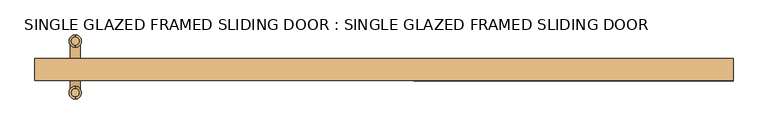
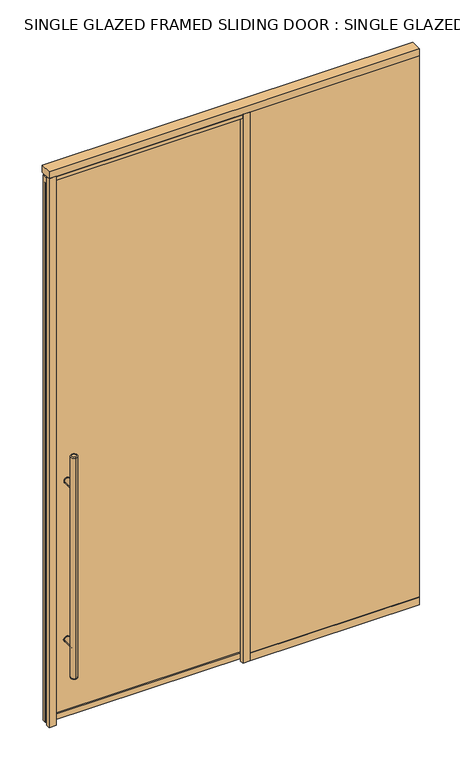
"""IFC4 building model written with IfcOpenShell, lengths in millimetres: door geometry, SINGLE GLAZED FRAMED SLIDING DOOR : SINGLE GLAZED FRAMED SLIDING DOOR."""

from ifc_helpers import new_model, si_unit, point, frame, frame_2d, origin, origin_with_axes, place, context, project, spatial, polyline, circle_curve, ellipse_curve, trimmed, segment, composite_curve, outline, extrude, source, transform, mapped, element, save
from ifc_brep_helpers import plane_surface, cylinder_surface, revolved_surface, advanced_brep


def single_glazed_framed_sliding_door_single_glazed_framed_af0cc8ee(model_context):
    return source(origin(), model_context, "Body", "SolidModel", [
        extrude(outline(composite_curve([segment(trimmed(circle_curve(frame_2d((428.625, -850.9)), 15.875), [point((428.625, -866.775))], [point((428.625, -835.025))], False, "CARTESIAN"), True, "CONTINUOUS"), segment(trimmed(circle_curve(frame_2d((428.625, -850.9)), 15.875), [point((428.625, -835.025))], [point((428.625, -866.775))], False, "CARTESIAN"), True, "CONTINUOUS")], self_intersect=False)), frame((0.0, 19.05, 0.0), z_axis=(0.0, 1.0, 0.0), x_axis=(0.0, 0.0, 1.0)), (0.0, 0.0, 1.0), 3.175),
        extrude(outline(composite_curve([segment(trimmed(circle_curve(frame_2d((1298.575, -850.9)), 15.875), [point((1298.575, -835.025))], [point((1298.575, -866.775))], False, "CARTESIAN"), True, "CONTINUOUS"), segment(trimmed(circle_curve(frame_2d((1298.575, -850.9)), 15.875), [point((1298.575, -866.775))], [point((1298.575, -835.025))], False, "CARTESIAN"), True, "CONTINUOUS")], self_intersect=False)), frame((0.0, 19.05, 0.0), z_axis=(0.0, 1.0, 0.0), x_axis=(0.0, 0.0, 1.0)), (0.0, 0.0, 1.0), 3.175),
        extrude(outline(composite_curve([segment(trimmed(circle_curve(frame_2d((428.625, -850.9)), 15.875), [point((428.625, -866.775))], [point((428.625, -835.025))], False, "CARTESIAN"), True, "CONTINUOUS"), segment(trimmed(circle_curve(frame_2d((428.625, -850.9)), 15.875), [point((428.625, -835.025))], [point((428.625, -866.775))], False, "CARTESIAN"), True, "CONTINUOUS")], self_intersect=False)), frame((0.0, 34.925, 0.0), z_axis=(0.0, 1.0, 0.0), x_axis=(0.0, 0.0, 1.0)), (0.0, 0.0, 1.0), 3.175),
        extrude(outline(composite_curve([segment(trimmed(circle_curve(frame_2d((1298.575, -850.9)), 15.875), [point((1298.575, -866.775))], [point((1298.575, -835.025))], False, "CARTESIAN"), True, "CONTINUOUS"), segment(trimmed(circle_curve(frame_2d((1298.575, -850.9)), 15.875), [point((1298.575, -835.025))], [point((1298.575, -866.775))], False, "CARTESIAN"), True, "CONTINUOUS")], self_intersect=False)), frame((0.0, 34.925, 0.0), z_axis=(0.0, 1.0, 0.0), x_axis=(0.0, 0.0, 1.0)), (0.0, 0.0, 1.0), 3.175),
        extrude(outline(composite_curve([segment(trimmed(circle_curve(frame_2d((428.625, -850.9)), 14.2875), [point((428.625, -836.6125))], [point((428.625, -865.1875))], False, "CARTESIAN"), True, "CONTINUOUS"), segment(trimmed(circle_curve(frame_2d((428.625, -850.9)), 14.2875), [point((428.625, -865.1875))], [point((428.625, -836.6125))], False, "CARTESIAN"), True, "CONTINUOUS")], self_intersect=False)), frame((0.0, 34.925, 0.0), z_axis=(0.0, 1.0, 0.0), x_axis=(0.0, 0.0, 1.0)), (0.0, 0.0, 1.0), 65.0875),
        extrude(outline(composite_curve([segment(trimmed(circle_curve(frame_2d((1298.575, -850.9)), 14.2875), [point((1298.575, -836.6125))], [point((1298.575, -865.1875))], False, "CARTESIAN"), True, "CONTINUOUS"), segment(trimmed(circle_curve(frame_2d((1298.575, -850.9)), 14.2875), [point((1298.575, -865.1875))], [point((1298.575, -836.6125))], False, "CARTESIAN"), True, "CONTINUOUS")], self_intersect=False)), frame((0.0, 34.925, 0.0), z_axis=(0.0, 1.0, 0.0), x_axis=(0.0, 0.0, 1.0)), (0.0, 0.0, 1.0), 65.0875),
        advanced_brep(
        [(-850.9, -32.0675, 1473.2), (-850.9, -53.6575, 1473.2), (-850.9, -53.6575, 254.0), (-850.9, -32.0675, 254.0), (-850.9, -60.0075, 260.35), (-850.9, -25.7175, 260.35), (-850.9, -25.7175, 1466.85), (-850.9, -60.0075, 1466.85)],
        [
            (0, 1, circle_curve(frame((-850.9, -42.8625, 1473.2), z_axis=(0.0, 0.0, 1.0), x_axis=(0.0, 1.0, 0.0)), 10.795)),
            (1, 0, circle_curve(frame((-850.9, -42.8625, 1473.2), z_axis=(0.0, 0.0, 1.0), x_axis=(0.0, 1.0, 0.0)), 10.795)),
            (2, 3, circle_curve(frame((-850.9, -42.8625, 254.0), z_axis=(0.0, 0.0, -1.0), x_axis=(0.0, 1.0, 0.0)), 10.795)),
            (3, 2, circle_curve(frame((-850.9, -42.8625, 254.0), z_axis=(0.0, 0.0, -1.0), x_axis=(0.0, 1.0, 0.0)), 10.795)),
            (4, 5, circle_curve(frame((-850.9, -42.8625, 260.35), z_axis=(0.0, 0.0, 1.0), x_axis=(0.0, 1.0, 0.0)), 17.145)),
            (5, 6),
            (6, 7, circle_curve(frame((-850.9, -42.8625, 1466.85), z_axis=(0.0, 0.0, -1.0), x_axis=(0.0, 1.0, 0.0)), 17.145)),
            (7, 4),
            (5, 4, circle_curve(frame((-850.9, -42.8625, 260.35), z_axis=(0.0, 0.0, 1.0), x_axis=(0.0, 1.0, 0.0)), 17.145)),
            (7, 6, circle_curve(frame((-850.9, -42.8625, 1466.85), z_axis=(0.0, 0.0, -1.0), x_axis=(0.0, 1.0, 0.0)), 17.145)),
            (2, 4, circle_curve(frame((-850.9, -53.6575, 260.35), z_axis=(-1.0, 0.0, 0.0), x_axis=(0.0, -1.0, 0.0)), 6.35)),
            (5, 3, circle_curve(frame((-850.9, -32.0675, 260.35), z_axis=(-1.0, 0.0, 0.0), x_axis=(0.0, 1.0, 0.0)), 6.35)),
            (7, 1, circle_curve(frame((-850.9, -53.6575, 1466.85), z_axis=(-1.0, 0.0, 0.0), x_axis=(0.0, -1.0, 0.0)), 6.35)),
            (0, 6, circle_curve(frame((-850.9, -32.0675, 1466.85), z_axis=(-1.0, 0.0, 0.0), x_axis=(0.0, 1.0, 0.0)), 6.35)),
        ],
        [
            plane_surface(frame((-850.9, 117.1575, 1473.2), z_axis=(0.0, 0.0, 1.0), x_axis=(-1.0, 0.0, 0.0))),
            plane_surface(frame((-850.9, 117.1575, 254.0), z_axis=(0.0, 0.0, -1.0), x_axis=(1.0, 0.0, 0.0))),
            cylinder_surface(frame((-850.9, -42.8625, 254.0), z_axis=(0.0, 0.0, 1.0), x_axis=(0.0, 1.0, 0.0)), 17.145),
            revolved_surface(trimmed(ellipse_curve(frame((-850.9, -32.0675, 260.35), z_axis=(1.0, 0.0, 0.0), x_axis=(0.0, 1.0, 0.0)), 6.35, 6.35), [point((-850.9, -32.0675, 254.0))], [point((-850.9, -25.7175, 260.35))], True, "CARTESIAN"), (-850.9, -42.8625, 2082.8), (0.0, 0.0, 1.0)),
            revolved_surface(trimmed(ellipse_curve(frame((-850.9, -32.0675, 1466.85), z_axis=(1.0, 0.0, 0.0), x_axis=(0.0, 1.0, 0.0)), 6.35, 6.35), [point((-850.9, -25.7175, 1466.85))], [point((-850.9, -32.0675, 1473.2))], True, "CARTESIAN"), (-850.9, -42.8625, -355.6), (0.0, 0.0, 1.0)),
        ],
        [
            (0, [[1, 2]]),
            (1, [[3, 4]]),
            (2, [[5, 6, 7, 8]]),
            (2, [[9, -8, 10, -6]]),
            (3, [[11, -9, 12, -3]]),
            (3, [[-11, -4, -12, -5]]),
            (4, [[13, -1, 14, -10]]),
            (4, [[-13, -7, -14, -2]]),
        ],
    ),
        advanced_brep(
        [(-850.9, 110.8075, 1473.2), (-850.9, 89.2175, 1473.2), (-850.9, 89.2175, 254.0), (-850.9, 110.8075, 254.0), (-850.9, 82.8675, 260.35), (-850.9, 117.1575, 260.35), (-850.9, 117.1575, 1466.85), (-850.9, 82.8675, 1466.85)],
        [
            (0, 1, circle_curve(frame((-850.9, 100.0125, 1473.2), z_axis=(0.0, 0.0, 1.0), x_axis=(0.0, -1.0, 0.0)), 10.795)),
            (1, 0, circle_curve(frame((-850.9, 100.0125, 1473.2), z_axis=(0.0, 0.0, 1.0), x_axis=(0.0, -1.0, 0.0)), 10.795)),
            (2, 3, circle_curve(frame((-850.9, 100.0125, 254.0), z_axis=(0.0, 0.0, -1.0), x_axis=(0.0, -1.0, 0.0)), 10.795)),
            (3, 2, circle_curve(frame((-850.9, 100.0125, 254.0), z_axis=(0.0, 0.0, -1.0), x_axis=(0.0, -1.0, 0.0)), 10.795)),
            (4, 5, circle_curve(frame((-850.9, 100.0125, 260.35), z_axis=(0.0, 0.0, 1.0), x_axis=(0.0, 1.0, 0.0)), 17.145)),
            (5, 6),
            (6, 7, circle_curve(frame((-850.9, 100.0125, 1466.85), z_axis=(0.0, 0.0, -1.0), x_axis=(0.0, 1.0, 0.0)), 17.145)),
            (7, 4),
            (5, 4, circle_curve(frame((-850.9, 100.0125, 260.35), z_axis=(0.0, 0.0, 1.0), x_axis=(0.0, 1.0, 0.0)), 17.145)),
            (7, 6, circle_curve(frame((-850.9, 100.0125, 1466.85), z_axis=(0.0, 0.0, -1.0), x_axis=(0.0, 1.0, 0.0)), 17.145)),
            (5, 3, circle_curve(frame((-850.9, 110.8075, 260.35), z_axis=(-1.0, 0.0, 0.0), x_axis=(0.0, 1.0, 0.0)), 6.35)),
            (2, 4, circle_curve(frame((-850.9, 89.2175, 260.35), z_axis=(-1.0, 0.0, 0.0), x_axis=(0.0, -1.0, 0.0)), 6.35)),
            (0, 6, circle_curve(frame((-850.9, 110.8075, 1466.85), z_axis=(-1.0, 0.0, 0.0), x_axis=(0.0, 1.0, 0.0)), 6.35)),
            (7, 1, circle_curve(frame((-850.9, 89.2175, 1466.85), z_axis=(-1.0, 0.0, 0.0), x_axis=(0.0, -1.0, 0.0)), 6.35)),
        ],
        [
            plane_surface(frame((-850.9, 117.1575, 1473.2), z_axis=(0.0, 0.0, 1.0), x_axis=(-1.0, 0.0, 0.0))),
            plane_surface(frame((-850.9, 117.1575, 254.0), z_axis=(0.0, 0.0, -1.0), x_axis=(1.0, 0.0, 0.0))),
            cylinder_surface(frame((-850.9, 100.0125, 254.0), z_axis=(0.0, 0.0, 1.0), x_axis=(0.0, 1.0, 0.0)), 17.145),
            revolved_surface(trimmed(ellipse_curve(frame((-850.9, 89.2175, 260.35), z_axis=(1.0, 0.0, 0.0), x_axis=(0.0, -1.0, 0.0)), 6.35, 6.35), [point((-850.9, 82.8675, 260.35))], [point((-850.9, 89.2175, 254.0))], True, "CARTESIAN"), (-850.9, 100.0125, 2082.8), (0.0, 0.0, -1.0)),
            revolved_surface(trimmed(ellipse_curve(frame((-850.9, 89.2175, 1466.85), z_axis=(1.0, 0.0, 0.0), x_axis=(0.0, -1.0, 0.0)), 6.35, 6.35), [point((-850.9, 89.2175, 1473.2))], [point((-850.9, 82.8675, 1466.85))], True, "CARTESIAN"), (-850.9, 100.0125, -355.6), (0.0, 0.0, -1.0)),
        ],
        [
            (0, [[1, 2]]),
            (1, [[3, 4]]),
            (2, [[5, 6, 7, 8]]),
            (2, [[9, -8, 10, -6]]),
            (3, [[11, -3, 12, -9]]),
            (3, [[-11, -5, -12, -4]]),
            (4, [[13, -10, 14, -1]]),
            (4, [[-13, -2, -14, -7]]),
        ],
    ),
        extrude(outline(composite_curve([segment(trimmed(circle_curve(frame_2d((428.625, -850.9)), 14.2875), [point((428.625, -836.6125))], [point((428.625, -865.1875))], False, "CARTESIAN"), True, "CONTINUOUS"), segment(trimmed(circle_curve(frame_2d((428.625, -850.9)), 14.2875), [point((428.625, -865.1875))], [point((428.625, -836.6125))], False, "CARTESIAN"), True, "CONTINUOUS")], self_intersect=False)), frame((0.0, -42.8625, 0.0), z_axis=(0.0, 1.0, 0.0), x_axis=(0.0, 0.0, 1.0)), (0.0, 0.0, 1.0), 65.0875),
        extrude(outline(composite_curve([segment(trimmed(circle_curve(frame_2d((1298.575, -850.9)), 14.2875), [point((1298.575, -836.6125))], [point((1298.575, -865.1875))], False, "CARTESIAN"), True, "CONTINUOUS"), segment(trimmed(circle_curve(frame_2d((1298.575, -850.9)), 14.2875), [point((1298.575, -865.1875))], [point((1298.575, -836.6125))], False, "CARTESIAN"), True, "CONTINUOUS")], self_intersect=False)), frame((0.0, -42.8625, 0.0), z_axis=(0.0, 1.0, 0.0), x_axis=(0.0, 0.0, 1.0)), (0.0, 0.0, 1.0), 65.0875),
        extrude(outline(polyline([(9.525, -962.025), (9.525, 82.5231001), (3000.375, 82.5231001), (3000.375, -962.025), (9.525, -962.025)]), holes=[polyline([(2968.625, -930.275), (2968.625, 50.7731001), (41.275, 50.7731001), (41.275, -930.275), (2968.625, -930.275)])]), frame((0.0, 15.875, 0.0), z_axis=(0.0, 1.0, 0.0), x_axis=(0.0, 0.0, 1.0)), (0.0, 0.0, 1.0), 25.4),
        extrude(outline(polyline([(82.5231001, 6.35), (962.025, 6.35), (962.025, -6.35), (82.5231001, -6.35), (82.5231001, 6.35)])), frame((0.0, 0.0, 41.275), z_axis=(0.0, 0.0, 1.0), x_axis=(1.0, 0.0, 0.0)), (0.0, 0.0, 1.0), 2968.625),
        extrude(outline(polyline([(82.5231001, 9.525), (82.5231001, -9.525), (44.4231001, -9.525), (44.4231001, 9.525), (82.5231001, 9.525)])), origin_with_axes(), (0.0, 0.0, 1.0), 3009.9),
        extrude(outline(polyline([(-923.925, 9.525), (-923.925, -9.525), (-962.025, -9.525), (-962.025, 9.525), (-923.925, 9.525)])), origin_with_axes(), (0.0, 0.0, 1.0), 3009.9),
        extrude(outline(polyline([(82.5231001, 34.925), (82.5231001, 22.225), (-962.025, 22.225), (-962.025, 34.925), (82.5231001, 34.925)])), frame((0.0, 0.0, 9.525), z_axis=(0.0, 0.0, 1.0), x_axis=(1.0, 0.0, 0.0)), (0.0, 0.0, 1.0), 2959.1),
        extrude(outline(polyline([(962.025, 9.525), (962.025, -9.525), (82.5231001, -9.525), (82.5231001, 9.525), (962.025, 9.525)])), origin_with_axes(), (0.0, 0.0, 1.0), 41.275),
        extrude(outline(polyline([(44.4231001, 12.7), (44.4231001, -9.525), (-923.925, -9.525), (-923.925, 12.7), (44.4231001, 12.7)])), frame((0.0, 0.0, 2989.2625), z_axis=(0.0, 0.0, 1.0), x_axis=(1.0, 0.0, 0.0)), (0.0, 0.0, 1.0), 19.05),
        extrude(outline(polyline([(962.025, 50.8), (962.025, -9.525), (-962.025, -9.525), (-962.025, 50.8), (962.025, 50.8)])), frame((0.0, 0.0, 3009.9), z_axis=(0.0, 0.0, 1.0), x_axis=(1.0, 0.0, 0.0)), (0.0, 0.0, 1.0), 38.1),
    ])


if __name__ == "__main__":
    model = new_model("IFC4")
    model_context = context("Model", 3, world=origin())
    ifc_project = project(units=[si_unit("LENGTHUNIT", "METRE", prefix="MILLI")], contexts=[model_context])
    site = spatial("IfcSite", under=ifc_project)
    building = spatial("IfcBuilding", under=site)
    placement = place(None, origin())
    single_glazed_framed_sliding_door_single_glazed_framed_shape = single_glazed_framed_sliding_door_single_glazed_framed_af0cc8ee(model_context)
    element("IfcDoor", 1, ObjectType="SINGLE GLAZED FRAMED SLIDING DOOR : SINGLE GLAZED FRAMED SLIDING DOOR", at=placement, inside=building, context=model_context, shape_type="MappedRepresentation", body=[
        mapped(single_glazed_framed_sliding_door_single_glazed_framed_shape, transform((0.0, 0.0, 0.0), x_axis=(1.0, 0.0, 0.0), y_axis=(0.0, 1.0, 0.0), z_axis=(0.0, 0.0, 1.0))),
    ])
    save(model, "model.ifc")
